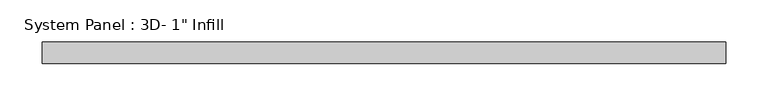
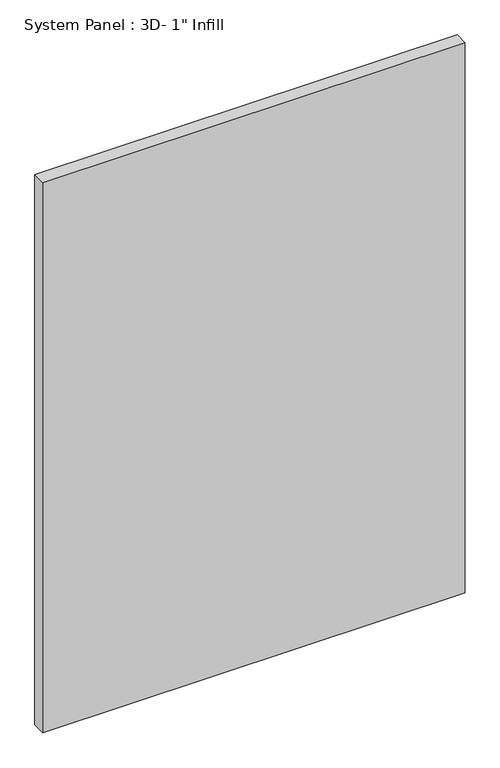
"""IFC4 building model written with IfcOpenShell, lengths in millimetres: plate geometry."""

from ifc_helpers import new_model, si_unit, origin, origin_with_axes, place, context, project, spatial, polyline, outline, extrude, source, transform, mapped, element, save


def plate_00d16418(model_context):
    return source(origin(), model_context, "Body", "SweptSolid", [
        extrude(outline(polyline([(404.7998, -18.25625), (-404.7998, -18.25625), (-404.7998, 7.14375), (404.7998, 7.14375), (404.7998, -18.25625)])), origin_with_axes(), (0.0, 0.0, 1.0), 1114.3996),
    ])


if __name__ == "__main__":
    model = new_model("IFC4")
    model_context = context("Model", 3, world=origin())
    ifc_project = project(units=[si_unit("LENGTHUNIT", "METRE", prefix="MILLI")], contexts=[model_context])
    site = spatial("IfcSite", under=ifc_project)
    building = spatial("IfcBuilding", under=site)
    placement = place(None, origin())
    plate_shape = plate_00d16418(model_context)
    element("IfcPlate", 1, ObjectType="System Panel : 3D- 1\" Infill", at=placement, inside=building, context=model_context, shape_type="MappedRepresentation", body=[
        mapped(plate_shape, transform((0.0, 0.0, 0.0), x_axis=(1.0, 0.0, 0.0), y_axis=(0.0, 1.0, 0.0), z_axis=(0.0, 0.0, 1.0))),
    ])
    save(model, "model.ifc")
